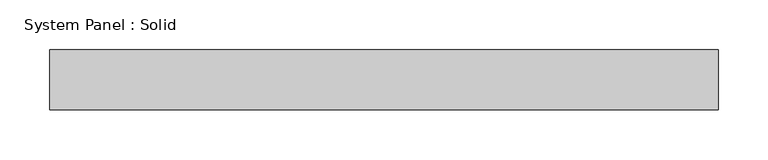
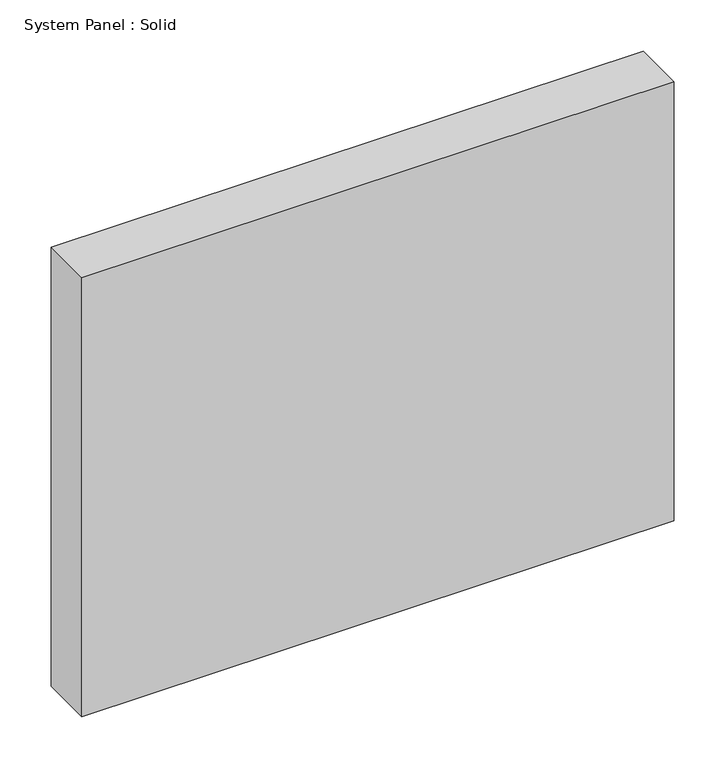
"""IFC4 building model written with IfcOpenShell, lengths in millimetres: plate geometry, System Panel : Solid."""

from ifc_helpers import new_model, si_unit, origin, origin_with_axes, place, context, project, spatial, polyline, outline, extrude, source, transform, mapped, element, save


def system_panel_solid_54b6a795(model_context):
    return source(origin(), model_context, "Body", "SweptSolid", [
        extrude(outline(polyline([(335.0, -49.5), (-335.0, -49.5), (-335.0, 10.5), (335.0, 10.5), (335.0, -49.5)])), origin_with_axes(), (0.0, 0.0, 1.0), 525.0),
    ])


if __name__ == "__main__":
    model = new_model("IFC4")
    model_context = context("Model", 3, world=origin())
    ifc_project = project(units=[si_unit("LENGTHUNIT", "METRE", prefix="MILLI")], contexts=[model_context])
    site = spatial("IfcSite", under=ifc_project)
    building = spatial("IfcBuilding", under=site)
    placement = place(None, origin())
    system_panel_solid_shape = system_panel_solid_54b6a795(model_context)
    element("IfcPlate", 1, ObjectType="System Panel : Solid", at=placement, inside=building, context=model_context, shape_type="MappedRepresentation", body=[
        mapped(system_panel_solid_shape, transform((0.0, 0.0, 0.0), x_axis=(1.0, 0.0, 0.0), y_axis=(0.0, 1.0, 0.0), z_axis=(0.0, 0.0, 1.0))),
    ])
    save(model, "model.ifc")
